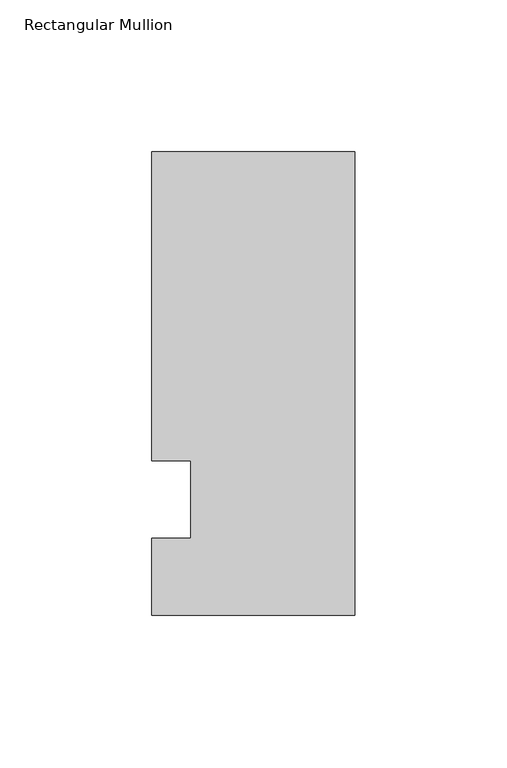
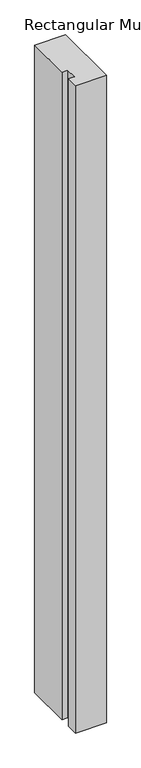
"""IFC4 building model written with IfcOpenShell, lengths in millimetres: member geometry, Rectangular Mullion."""

import ifcopenshell
import ifcopenshell.guid

model = None  # the IFC model being written
_history = None  # IfcOwnerHistory: only IFC2X3 demands one
_inside = {}  # id of a spatial element -> (the spatial element, [elements in it])
_under = {}  # id of a project, library or spatial element -> (it, [spatial elements below it])
_declared = {}  # id of a project -> (the project, [libraries it declares])
_typed = {}  # id of a type object -> (the type object, [elements of that type])
_made_of = {}  # id of a material, layer set ... -> (it, [elements and type objects made of it])


def new_model(schema):
    """Start an empty IFC model of exactly this schema.

    Asked for "IFC4X3", IfcOpenShell would pick the latest addendum, in which some entities
    have other attributes; the version numbers below select the first issue.
    IFC2X3 requires an IfcOwnerHistory on every rooted entity: one is made here for all.
    """
    global model, _history
    if schema == "IFC4X3":
        model = ifcopenshell.file(schema_version=(4, 3, 0, 0))
    else:
        model = ifcopenshell.file(schema=schema)
    _inside.clear()
    _under.clear()
    _declared.clear()
    _typed.clear()
    _made_of.clear()
    _history = None
    if model.schema == "IFC2X3":
        org = make("IfcOrganization", Name="unknown")
        user = make(
            "IfcPersonAndOrganization",
            ThePerson=make("IfcPerson", FamilyName="unknown"),
            TheOrganization=org,
        )
        app = make(
            "IfcApplication",
            ApplicationDeveloper=org,
            Version="unknown",
            ApplicationFullName="unknown",
            ApplicationIdentifier="unknown",
        )
        _history = make(
            "IfcOwnerHistory",
            OwningUser=user,
            OwningApplication=app,
            ChangeAction="ADDED",
            CreationDate=0,
        )
    return model


def make(cls, **values):
    """One entity of the class cls with the attributes given. An attribute that is None is left unset."""
    return model.create_entity(
        cls, **{name: value for name, value in values.items() if value is not None}
    )


def rooted(cls, **values):
    """An entity with a GlobalId (a new one), such as an element, a storey or a relation."""
    return make(cls, GlobalId=ifcopenshell.guid.new(), OwnerHistory=_history, **values)


def si_unit(unit_type, name, prefix=None):
    """IfcSIUnit, for example si_unit("LENGTHUNIT", "METRE", prefix="MILLI")."""
    return make("IfcSIUnit", UnitType=unit_type, Prefix=prefix, Name=name)


def assignment(units):
    """IfcUnitAssignment: the units of a project."""
    return None if units is None else make("IfcUnitAssignment", Units=units)


def point(xyz):
    """IfcCartesianPoint."""
    return None if xyz is None else make("IfcCartesianPoint", Coordinates=xyz)


def direction(xyz):
    """IfcDirection."""
    return None if xyz is None else make("IfcDirection", DirectionRatios=xyz)


def frame(location, z_axis=None, x_axis=None):
    """IfcAxis2Placement3D, a coordinate frame: its origin and axes. An axis left out is left unset."""
    return make(
        "IfcAxis2Placement3D",
        Location=point(location),
        Axis=direction(z_axis),
        RefDirection=direction(x_axis),
    )


def origin():
    """The frame at (0, 0, 0) with its axes left unset."""
    return frame((0.0, 0.0, 0.0))


def place(relative_to, where):
    """IfcLocalPlacement: puts the frame where relative to a parent placement (None: the world)."""
    return make(
        "IfcLocalPlacement", PlacementRelTo=relative_to, RelativePlacement=where
    )


def context(
    kind, dimensions, precision=None, world=None, true_north=None, identifier=None
):
    """IfcGeometricRepresentationContext, for example the 3D "Model" context."""
    return make(
        "IfcGeometricRepresentationContext",
        ContextIdentifier=identifier,
        ContextType=kind,
        CoordinateSpaceDimension=dimensions,
        Precision=precision,
        WorldCoordinateSystem=world,
        TrueNorth=true_north,
    )


def project(units=None, contexts=None):
    """IfcProject with its units and contexts."""
    return rooted(
        "IfcProject",
        Name="project",
        RepresentationContexts=contexts,
        UnitsInContext=assignment(units),
    )


def spatial(cls, under=None, at=None, **own):
    """A site, building, storey or space (cls), placed at a placement, below another one or the project."""
    s = rooted(cls, ObjectPlacement=at, **own)
    if under is not None:
        _under.setdefault(under.id(), (under, []))[1].append(s)
    return s


def polyline(points):
    """IfcPolyline through the points."""
    return make("IfcPolyline", Points=[point(p) for p in points])


def outline(outer, holes=None, kind="AREA"):
    """IfcArbitraryClosedProfileDef: a profile drawn as a closed curve; with holes, ...WithVoids."""
    if holes is None:
        return make("IfcArbitraryClosedProfileDef", ProfileType=kind, OuterCurve=outer)
    return make(
        "IfcArbitraryProfileDefWithVoids",
        ProfileType=kind,
        OuterCurve=outer,
        InnerCurves=holes,
    )


def extrude(swept, where, along, depth):
    """IfcExtrudedAreaSolid: the profile swept, set in the frame where, extruded along a direction by depth."""
    return make(
        "IfcExtrudedAreaSolid",
        SweptArea=swept,
        Position=where,
        ExtrudedDirection=direction(along),
        Depth=depth,
    )


def shape(context_of_items, identifier, shape_type, items):
    """IfcShapeRepresentation: the items that make up one representation, for example the "Body"."""
    return make(
        "IfcShapeRepresentation",
        ContextOfItems=context_of_items,
        RepresentationIdentifier=identifier,
        RepresentationType=shape_type,
        Items=items,
    )


def source(mapping_origin, context_of_items, identifier, shape_type, items):
    """IfcRepresentationMap: a shape defined once, which mapped items show again and again."""
    return make(
        "IfcRepresentationMap",
        MappingOrigin=mapping_origin,
        MappedRepresentation=shape(context_of_items, identifier, shape_type, items),
    )


def transform(
    local_origin,
    x_axis=None,
    y_axis=None,
    z_axis=None,
    scale=None,
    scale2=None,
    scale3=None,
    uniform=True,
):
    """IfcCartesianTransformationOperator3D, or its non-uniform kind. x_axis, y_axis, z_axis: its Axis1, 2, 3."""
    if uniform:
        return make(
            "IfcCartesianTransformationOperator3D",
            Axis1=direction(x_axis),
            Axis2=direction(y_axis),
            LocalOrigin=point(local_origin),
            Scale=scale,
            Axis3=direction(z_axis),
        )
    return make(
        "IfcCartesianTransformationOperator3DnonUniform",
        Axis1=direction(x_axis),
        Axis2=direction(y_axis),
        LocalOrigin=point(local_origin),
        Scale=scale,
        Axis3=direction(z_axis),
        Scale2=scale2,
        Scale3=scale3,
    )


def mapped(mapping_source, mapping_target):
    """IfcMappedItem: shows the shape of a source again, moved by a transform."""
    return make(
        "IfcMappedItem", MappingSource=mapping_source, MappingTarget=mapping_target
    )


def made_of(thing, what):
    """Note that an element or type object is made of a material, layer set ...; save() writes the relation."""
    if what is not None:
        _made_of.setdefault(what.id(), (what, []))[1].append(thing)
    return thing


def element(
    cls,
    number,
    at=None,
    inside=None,
    cuts=None,
    type_object=None,
    material=None,
    context=None,
    identifier="Body",
    shape_type=None,
    held_by="IfcProductDefinitionShape",
    body=None,
    shapes=None,
    **own,
):
    """One element of the class cls, such as IfcWall. Its Tag is "e" and its number.

    at: its placement. inside: the storey or other place that contains it. cuts: it is an
    opening in that element (IfcRelVoidsElement). A single representation is given by context,
    identifier, shape_type and body (its items); several are given by shapes. held_by: the class
    of the entity that holds the representations. save() writes the other relations.
    """
    e = rooted(cls, Tag="e%d" % number, ObjectPlacement=at, **own)
    if body is not None:
        shapes = [shape(context, identifier, shape_type, body)]
    if shapes is not None:
        e.Representation = make(held_by, Representations=shapes)
    if inside is not None:
        _inside.setdefault(inside.id(), (inside, []))[1].append(e)
    if cuts is not None:
        rooted(
            "IfcRelVoidsElement", RelatingBuildingElement=cuts, RelatedOpeningElement=e
        )
    if type_object is not None:
        _typed.setdefault(type_object.id(), (type_object, []))[1].append(e)
    return made_of(e, material)


def aggregate(whole, parts):
    """IfcRelAggregates: a whole, such as a stair, and the parts it consists of."""
    return rooted("IfcRelAggregates", RelatingObject=whole, RelatedObjects=parts)


def save(model, path):
    """Write the relations noted so far, then the file.

    IfcRelAggregates (storeys below a building ...), IfcRelContainedInSpatialStructure (elements
    in a storey), IfcRelDefinesByType, IfcRelAssociatesMaterial and IfcRelDeclares: one each for
    every whole, place, type object, material and project.
    """
    for whole, parts in _under.values():
        aggregate(whole, parts)
    for where, things in _inside.values():
        rooted(
            "IfcRelContainedInSpatialStructure",
            RelatedElements=things,
            RelatingStructure=where,
        )
    for kind, things in _typed.values():
        rooted("IfcRelDefinesByType", RelatedObjects=things, RelatingType=kind)
    for what, things in _made_of.values():
        rooted("IfcRelAssociatesMaterial", RelatedObjects=things, RelatingMaterial=what)
    for by, libraries in _declared.values():
        rooted("IfcRelDeclares", RelatingContext=by, RelatedDefinitions=libraries)
    model.write(path)


def rectangular_mullion_e2f35da1(model_context):
    return source(origin(), model_context, "Body", "SweptSolid", [
        extrude(outline(polyline([(-66.675, 114.3), (0.0, 114.3), (0.0, -38.1), (-66.675, -38.1), (-66.675, -12.7), (-53.975, -12.7), (-53.975, 12.7), (-66.675, 12.7), (-66.675, 114.3)])), frame((0.0, 0.0, -1478.28), z_axis=(0.0, 0.0, 1.0), x_axis=(1.0, 0.0, 0.0)), (0.0, 0.0, 1.0), 1478.28),
    ])


if __name__ == "__main__":
    model = new_model("IFC4")
    model_context = context("Model", 3, world=origin())
    ifc_project = project(units=[si_unit("LENGTHUNIT", "METRE", prefix="MILLI")], contexts=[model_context])
    site = spatial("IfcSite", under=ifc_project)
    building = spatial("IfcBuilding", under=site)
    placement = place(None, origin())
    rectangular_mullion_shape = rectangular_mullion_e2f35da1(model_context)
    element("IfcMember", 1, ObjectType="Rectangular Mullion", at=placement, inside=building, context=model_context, shape_type="MappedRepresentation", body=[
        mapped(rectangular_mullion_shape, transform((0.0, 0.0, 0.0), x_axis=(1.0, 0.0, 0.0), y_axis=(0.0, 1.0, 0.0), z_axis=(0.0, 0.0, 1.0))),
    ])
    save(model, "model.ifc")
